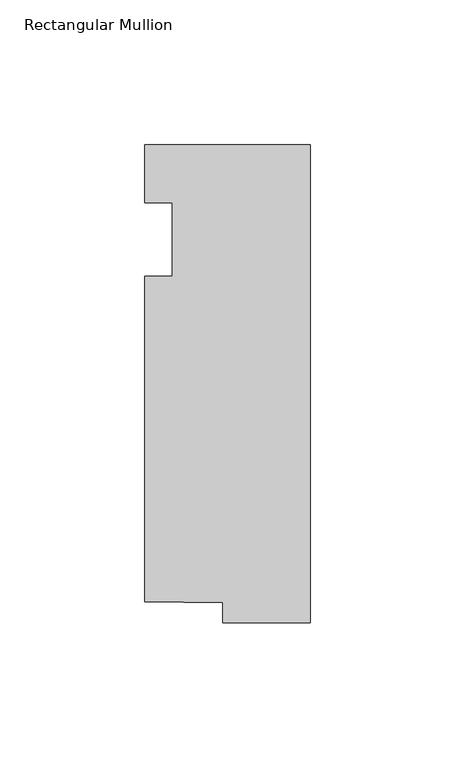
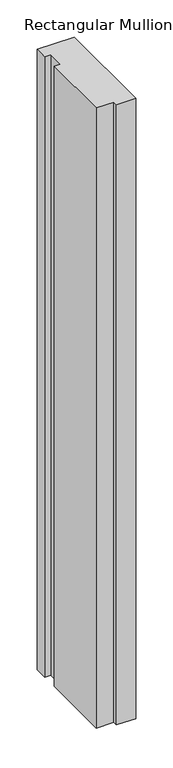
"""IFC4 building model written with IfcOpenShell, lengths in millimetres: member geometry, Rectangular Mullion."""

from ifc_helpers import new_model, si_unit, frame, origin, place, context, project, spatial, polyline, outline, extrude, source, transform, mapped, element, save


def rectangular_mullion_3b608691(model_context):
    return source(origin(), model_context, "Body", "SweptSolid", [
        extrude(outline(polyline([(-57.15, 20.0421875), (0.0, 20.0421875), (0.0, -145.0578125), (-30.1646192, -145.0578125), (-30.1646192, -138.1494996), (-57.15, -137.7424054), (-57.15, -25.4), (-47.625, -25.4), (-47.625, 0.0), (-57.15, 0.0), (-57.15, 20.0421875)])), frame((0.0, 0.0, -1016.0), z_axis=(0.0, 0.0, 1.0), x_axis=(1.0, 0.0, 0.0)), (0.0, 0.0, 1.0), 1016.0),
    ])


if __name__ == "__main__":
    model = new_model("IFC4")
    model_context = context("Model", 3, world=origin())
    ifc_project = project(units=[si_unit("LENGTHUNIT", "METRE", prefix="MILLI")], contexts=[model_context])
    site = spatial("IfcSite", under=ifc_project)
    building = spatial("IfcBuilding", under=site)
    placement = place(None, origin())
    rectangular_mullion_shape = rectangular_mullion_3b608691(model_context)
    element("IfcMember", 1, ObjectType="Rectangular Mullion", at=placement, inside=building, context=model_context, shape_type="MappedRepresentation", body=[
        mapped(rectangular_mullion_shape, transform((0.0, 0.0, 0.0), x_axis=(1.0, 0.0, 0.0), y_axis=(0.0, 1.0, 0.0), z_axis=(0.0, 0.0, 1.0))),
    ])
    save(model, "model.ifc")
